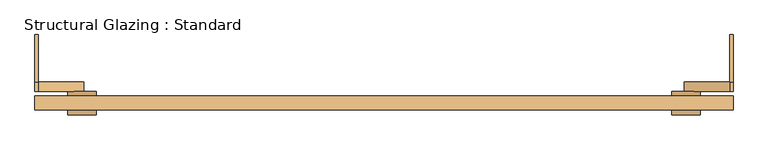
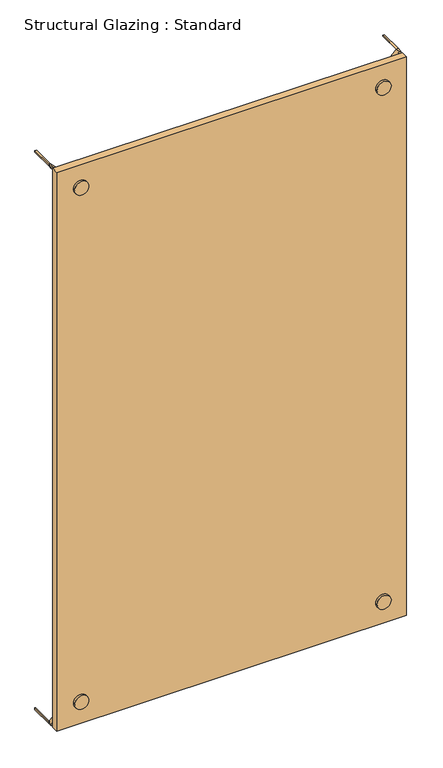
"""IFC4 building model written with IfcOpenShell, lengths in millimetres: door geometry, Structural Glazing : Standard."""

from ifc_helpers import new_model, si_unit, point, frame, frame_2d, origin, origin_with_axes, place, context, project, spatial, polyline, circle_curve, trimmed, segment, composite_curve, outline, extrude, source, transform, mapped, element, save


def structural_glazing_standard_80ae25d3(model_context):
    return source(origin(), model_context, "Body", "SweptSolid", [
        extrude(outline(composite_curve([segment(trimmed(circle_curve(frame_2d((100.0, 640.0)), 30.0), [point((100.0, 610.0))], [point((100.0, 670.0))], False, "CARTESIAN"), True, "CONTINUOUS"), segment(trimmed(circle_curve(frame_2d((100.0, 640.0)), 30.0), [point((100.0, 670.0))], [point((100.0, 610.0))], False, "CARTESIAN"), True, "CONTINUOUS")], self_intersect=False)), frame((0.0, 28.9615014, 0.0), z_axis=(0.0, 1.0, 0.0), x_axis=(0.0, 0.0, 1.0)), (0.0, 0.0, 1.0), 10.0),
        extrude(outline(composite_curve([segment(trimmed(circle_curve(frame_2d((100.0, -640.0)), 30.0), [point((100.0, -670.0))], [point((100.0, -610.0))], False, "CARTESIAN"), True, "CONTINUOUS"), segment(trimmed(circle_curve(frame_2d((100.0, -640.0)), 30.0), [point((100.0, -610.0))], [point((100.0, -670.0))], False, "CARTESIAN"), True, "CONTINUOUS")], self_intersect=False)), frame((0.0, 28.9615014, 0.0), z_axis=(0.0, 1.0, 0.0), x_axis=(0.0, 0.0, 1.0)), (0.0, 0.0, 1.0), 10.0),
        extrude(outline(composite_curve([segment(trimmed(circle_curve(frame_2d((2400.0, -640.0)), 30.0), [point((2400.0, -670.0))], [point((2400.0, -610.0))], False, "CARTESIAN"), True, "CONTINUOUS"), segment(trimmed(circle_curve(frame_2d((2400.0, -640.0)), 30.0), [point((2400.0, -610.0))], [point((2400.0, -670.0))], False, "CARTESIAN"), True, "CONTINUOUS")], self_intersect=False)), frame((0.0, 28.9615014, 0.0), z_axis=(0.0, 1.0, 0.0), x_axis=(0.0, 0.0, 1.0)), (0.0, 0.0, 1.0), 10.0),
        extrude(outline(composite_curve([segment(trimmed(circle_curve(frame_2d((2400.0, 640.0)), 30.0), [point((2400.0, 610.0))], [point((2400.0, 670.0))], False, "CARTESIAN"), True, "CONTINUOUS"), segment(trimmed(circle_curve(frame_2d((2400.0, 640.0)), 30.0), [point((2400.0, 670.0))], [point((2400.0, 610.0))], False, "CARTESIAN"), True, "CONTINUOUS")], self_intersect=False)), frame((0.0, 28.9615014, 0.0), z_axis=(0.0, 1.0, 0.0), x_axis=(0.0, 0.0, 1.0)), (0.0, 0.0, 1.0), 10.0),
        extrude(outline(composite_curve([segment(trimmed(circle_curve(frame_2d((100.0, -640.0)), 30.0), [point((100.0, -670.0))], [point((100.0, -610.0))], False, "CARTESIAN"), True, "CONTINUOUS"), segment(trimmed(circle_curve(frame_2d((100.0, -640.0)), 30.0), [point((100.0, -610.0))], [point((100.0, -670.0))], False, "CARTESIAN"), True, "CONTINUOUS")], self_intersect=False)), frame((0.0, -11.0384986, 0.0), z_axis=(0.0, 1.0, 0.0), x_axis=(0.0, 0.0, 1.0)), (0.0, 0.0, 1.0), 10.0),
        extrude(outline(composite_curve([segment(trimmed(circle_curve(frame_2d((100.0, 640.0)), 30.0), [point((100.0, 610.0))], [point((100.0, 670.0))], False, "CARTESIAN"), True, "CONTINUOUS"), segment(trimmed(circle_curve(frame_2d((100.0, 640.0)), 30.0), [point((100.0, 670.0))], [point((100.0, 610.0))], False, "CARTESIAN"), True, "CONTINUOUS")], self_intersect=False)), frame((0.0, -11.0384986, 0.0), z_axis=(0.0, 1.0, 0.0), x_axis=(0.0, 0.0, 1.0)), (0.0, 0.0, 1.0), 10.0),
        extrude(outline(composite_curve([segment(trimmed(circle_curve(frame_2d((2400.0, -640.0)), 30.0), [point((2400.0, -670.0))], [point((2400.0, -610.0))], False, "CARTESIAN"), True, "CONTINUOUS"), segment(trimmed(circle_curve(frame_2d((2400.0, -640.0)), 30.0), [point((2400.0, -610.0))], [point((2400.0, -670.0))], False, "CARTESIAN"), True, "CONTINUOUS")], self_intersect=False)), frame((0.0, -11.0384986, 0.0), z_axis=(0.0, 1.0, 0.0), x_axis=(0.0, 0.0, 1.0)), (0.0, 0.0, 1.0), 10.0),
        extrude(outline(composite_curve([segment(trimmed(circle_curve(frame_2d((2400.0, 640.0)), 30.0), [point((2400.0, 610.0))], [point((2400.0, 670.0))], False, "CARTESIAN"), True, "CONTINUOUS"), segment(trimmed(circle_curve(frame_2d((2400.0, 640.0)), 30.0), [point((2400.0, 670.0))], [point((2400.0, 610.0))], False, "CARTESIAN"), True, "CONTINUOUS")], self_intersect=False)), frame((0.0, -11.0384986, 0.0), z_axis=(0.0, 1.0, 0.0), x_axis=(0.0, 0.0, 1.0)), (0.0, 0.0, 1.0), 10.0),
        extrude(outline(polyline([(740.0, 28.9615014), (740.0, -1.0384986), (-740.0, -1.0384986), (-740.0, 28.9615014), (740.0, 28.9615014)])), origin_with_axes(), (0.0, 0.0, 1.0), 2500.0),
        extrude(outline(composite_curve([segment(polyline([(0.0, 740.0), (7.0710678, 740.0)]), True, "CONTINUOUS"), segment(trimmed(circle_curve(frame_2d((0.0, 740.0)), 7.0710678), [point((7.0710678, 740.0))], [point((0.0, 732.9289322))], False, "CARTESIAN"), True, "CONTINUOUS"), segment(polyline([(0.0, 732.9289322), (0.0, 740.0)]), True, "CONTINUOUS")], self_intersect=False)), frame((0.0, 58.9615014, 0.0), z_axis=(0.0, 1.0, 0.0), x_axis=(0.0, 0.0, 1.0)), (0.0, 0.0, 1.0), 100.0),
        extrude(outline(composite_curve([segment(polyline([(0.0, -740.0), (0.0, -732.9289322)]), True, "CONTINUOUS"), segment(trimmed(circle_curve(frame_2d((0.0, -740.0)), 7.0710678), [point((0.0, -732.9289322))], [point((7.0710678, -740.0))], False, "CARTESIAN"), True, "CONTINUOUS"), segment(polyline([(7.0710678, -740.0), (0.0, -740.0)]), True, "CONTINUOUS")], self_intersect=False)), frame((0.0, 58.9615014, 0.0), z_axis=(0.0, 1.0, 0.0), x_axis=(0.0, 0.0, 1.0)), (0.0, 0.0, 1.0), 100.0),
        extrude(outline(composite_curve([segment(polyline([(2500.0, 740.0), (2500.0, 732.9289322)]), True, "CONTINUOUS"), segment(trimmed(circle_curve(frame_2d((2500.0, 740.0)), 7.0710678), [point((2500.0, 732.9289322))], [point((2492.9289322, 740.0))], False, "CARTESIAN"), True, "CONTINUOUS"), segment(polyline([(2492.9289322, 740.0), (2500.0, 740.0)]), True, "CONTINUOUS")], self_intersect=False)), frame((0.0, 58.9615014, 0.0), z_axis=(0.0, 1.0, 0.0), x_axis=(0.0, 0.0, 1.0)), (0.0, 0.0, 1.0), 100.0),
        extrude(outline(composite_curve([segment(polyline([(2500.0, -732.9289322), (2500.0, -740.0), (2492.9289322, -740.0)]), True, "CONTINUOUS"), segment(trimmed(circle_curve(frame_2d((2500.0, -740.0)), 7.0710678), [point((2492.9289322, -740.0))], [point((2500.0, -732.9289322))], False, "CARTESIAN"), True, "CONTINUOUS")], self_intersect=False)), frame((0.0, 58.9615014, 0.0), z_axis=(0.0, 1.0, 0.0), x_axis=(0.0, 0.0, 1.0)), (0.0, 0.0, 1.0), 100.0),
        extrude(outline(polyline([(103.5355339, 643.5355339), (96.4644661, 636.4644661), (0.0, 732.9289322), (0.0, 740.0), (7.0710678, 740.0), (103.5355339, 643.5355339)])), frame((0.0, 38.9615014, 0.0), z_axis=(0.0, 1.0, 0.0), x_axis=(0.0, 0.0, 1.0)), (0.0, 0.0, 1.0), 20.0),
        extrude(outline(polyline([(0.0, -740.0), (0.0, -732.9289322), (96.4644661, -636.4644661), (103.5355339, -643.5355339), (7.0710678, -740.0), (0.0, -740.0)])), frame((0.0, 38.9615014, 0.0), z_axis=(0.0, 1.0, 0.0), x_axis=(0.0, 0.0, 1.0)), (0.0, 0.0, 1.0), 20.0),
        extrude(outline(polyline([(2500.0, -732.9289322), (2500.0, -740.0), (2492.9289322, -740.0), (2396.4644661, -643.5355339), (2403.5355339, -636.4644661), (2500.0, -732.9289322)])), frame((0.0, 38.9615014, 0.0), z_axis=(0.0, 1.0, 0.0), x_axis=(0.0, 0.0, 1.0)), (0.0, 0.0, 1.0), 20.0),
        extrude(outline(polyline([(2500.0, 732.9289322), (2403.5355339, 636.4644661), (2396.4644661, 643.5355339), (2492.9289322, 740.0), (2500.0, 740.0), (2500.0, 732.9289322)])), frame((0.0, 38.9615014, 0.0), z_axis=(0.0, 1.0, 0.0), x_axis=(0.0, 0.0, 1.0)), (0.0, 0.0, 1.0), 20.0),
    ])


if __name__ == "__main__":
    model = new_model("IFC4")
    model_context = context("Model", 3, world=origin())
    ifc_project = project(units=[si_unit("LENGTHUNIT", "METRE", prefix="MILLI")], contexts=[model_context])
    site = spatial("IfcSite", under=ifc_project)
    building = spatial("IfcBuilding", under=site)
    placement = place(None, origin())
    structural_glazing_standard_shape = structural_glazing_standard_80ae25d3(model_context)
    element("IfcDoor", 1, ObjectType="Structural Glazing : Standard", at=placement, inside=building, context=model_context, shape_type="MappedRepresentation", body=[
        mapped(structural_glazing_standard_shape, transform((0.0, 0.0, 0.0), x_axis=(1.0, 0.0, 0.0), y_axis=(0.0, 1.0, 0.0), z_axis=(0.0, 0.0, 1.0))),
    ])
    save(model, "model.ifc")
